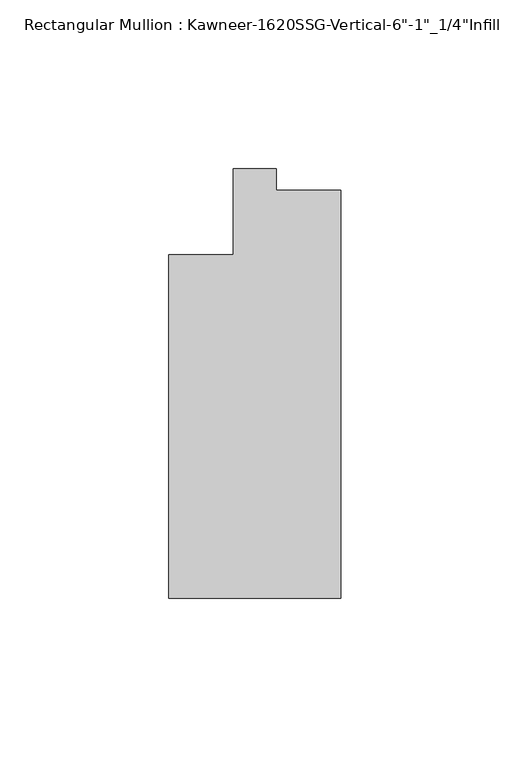
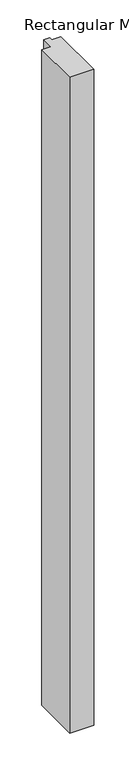
"""IFC4 building model written with IfcOpenShell, lengths in millimetres: member geometry."""

from ifc_helpers import new_model, si_unit, frame, origin, place, context, project, spatial, polyline, outline, extrude, source, transform, mapped, element, save


def member_01ffa678(model_context):
    return source(origin(), model_context, "Body", "SweptSolid", [
        extrude(outline(polyline([(25.4, -123.825), (-25.4, -123.825), (-25.4, -22.225), (-6.35, -22.225), (-6.35, 3.175), (6.35, 3.175), (6.35, -3.175), (25.4, -3.175), (25.4, -123.825)])), frame((0.0, 0.0, -1460.5), z_axis=(0.0, 0.0, 1.0), x_axis=(1.0, 0.0, 0.0)), (0.0, 0.0, 1.0), 1460.5),
    ])


if __name__ == "__main__":
    model = new_model("IFC4")
    model_context = context("Model", 3, world=origin())
    ifc_project = project(units=[si_unit("LENGTHUNIT", "METRE", prefix="MILLI")], contexts=[model_context])
    site = spatial("IfcSite", under=ifc_project)
    building = spatial("IfcBuilding", under=site)
    placement = place(None, origin())
    member_shape = member_01ffa678(model_context)
    element("IfcMember", 1, ObjectType="Rectangular Mullion : Kawneer-1620SSG-Vertical-6\"-1\"_1/4\"Infill", at=placement, inside=building, context=model_context, shape_type="MappedRepresentation", body=[
        mapped(member_shape, transform((0.0, 0.0, 0.0), x_axis=(1.0, 0.0, 0.0), y_axis=(0.0, 1.0, 0.0), z_axis=(0.0, 0.0, 1.0))),
    ])
    save(model, "model.ifc")
